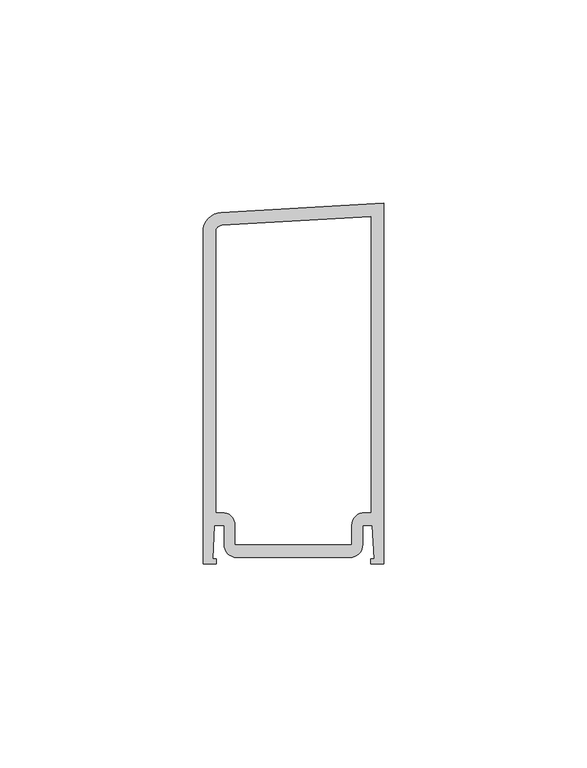
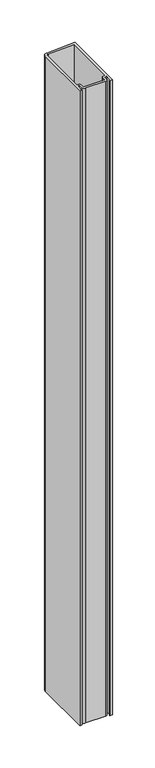
"""IFC4 building model written with IfcOpenShell, lengths in millimetres: proxy geometry."""

from ifc_helpers import new_model, si_unit, point, frame, frame_2d, origin, place, context, project, spatial, polyline, circle_curve, trimmed, segment, composite_curve, outline, extrude, source, transform, mapped, element, save


def generic_models_e0b59a03(model_context):
    return source(origin(), model_context, "Body", "SweptSolid", [
        extrude(outline(composite_curve([segment(polyline([(37219.9022168, -22000.8346393), (37217.5209668, -22000.8346393), (37217.1082168, -22009.0642393), (37217.9210168, -22009.0642393), (37217.9210168, -22010.3342393), (37214.7460168, -22010.3342393), (37214.7460168, -21928.5140111)]), True, "CONTINUOUS"), segment(trimmed(circle_curve(frame_2d((37219.5085168, -21928.5140111)), 4.7625), [point((37214.7460168, -21928.5140111))], [point((37219.2318786, -21923.7595524))], False, "CARTESIAN"), True, "CONTINUOUS"), segment(polyline([(37219.2318786, -21923.7595524), (37259.1960168, -21921.4342393), (37259.1960168, -22010.3342393), (37256.0210168, -22010.3342393), (37256.0210168, -22009.0642393), (37256.8338168, -22009.0642393), (37256.4210668, -22000.8346393), (37254.0398168, -22000.8346393), (37254.0398168, -22005.5717393)]), True, "CONTINUOUS"), segment(trimmed(circle_curve(frame_2d((37250.8648168, -22005.5717393)), 3.175), [point((37254.0398168, -22005.5717393))], [point((37250.8648168, -22008.7467393))], False, "CARTESIAN"), True, "CONTINUOUS"), segment(polyline([(37250.8648168, -22008.7467393), (37223.0772168, -22008.7467393)]), True, "CONTINUOUS"), segment(trimmed(circle_curve(frame_2d((37223.0772168, -22005.5717393)), 3.175), [point((37223.0772168, -22008.7467393))], [point((37219.9022168, -22005.5717393))], False, "CARTESIAN"), True, "CONTINUOUS"), segment(polyline([(37219.9022168, -22005.5717393), (37219.9022168, -22000.8346393)]), True, "CONTINUOUS")], self_intersect=False), holes=[composite_curve([segment(polyline([(37251.2712168, -22005.5717393), (37251.2712168, -22000.8346393)]), True, "CONTINUOUS"), segment(trimmed(circle_curve(frame_2d((37254.4462168, -22000.8346393)), 3.175), [point((37251.2712168, -22000.8346393))], [point((37254.4462168, -21997.6596393))], False, "CARTESIAN"), True, "CONTINUOUS"), segment(polyline([(37254.4462168, -21997.6596393), (37256.0210168, -21997.6596393), (37256.0210168, -21924.7993466), (37219.4163041, -21926.9291916)]), True, "CONTINUOUS"), segment(trimmed(circle_curve(frame_2d((37219.5085168, -21928.5140111)), 1.5875), [point((37219.4163041, -21926.9291916))], [point((37217.9210168, -21928.5140111))], True, "CARTESIAN"), True, "CONTINUOUS"), segment(polyline([(37217.9210168, -21928.5140111), (37217.9210168, -21997.6596393), (37219.4958168, -21997.6596393)]), True, "CONTINUOUS"), segment(trimmed(circle_curve(frame_2d((37219.4958168, -22000.8346393)), 3.175), [point((37219.4958168, -21997.6596393))], [point((37222.6708168, -22000.8346393))], False, "CARTESIAN"), True, "CONTINUOUS"), segment(polyline([(37222.6708168, -22000.8346393), (37222.6708168, -22005.5717393), (37251.2712168, -22005.5717393)]), True, "CONTINUOUS")], self_intersect=False)]), frame((0.0, 0.0, 1524.0), z_axis=(0.0, 0.0, 1.0), x_axis=(1.0, 0.0, 0.0)), (0.0, 0.0, 1.0), 914.4),
    ])


if __name__ == "__main__":
    model = new_model("IFC4")
    model_context = context("Model", 3, world=origin())
    ifc_project = project(units=[si_unit("LENGTHUNIT", "METRE", prefix="MILLI")], contexts=[model_context])
    site = spatial("IfcSite", under=ifc_project)
    building = spatial("IfcBuilding", under=site)
    placement = place(None, origin())
    generic_models_shape = generic_models_e0b59a03(model_context)
    element("IfcBuildingElementProxy", 1, Name="Generic Models", at=placement, inside=building, context=model_context, shape_type="MappedRepresentation", body=[
        mapped(generic_models_shape, transform((0.0, 0.0, 0.0), x_axis=(1.0, 0.0, 0.0), y_axis=(0.0, 1.0, 0.0), z_axis=(0.0, 0.0, 1.0))),
    ])
    save(model, "model.ifc")
